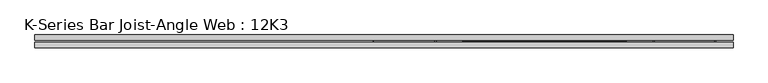
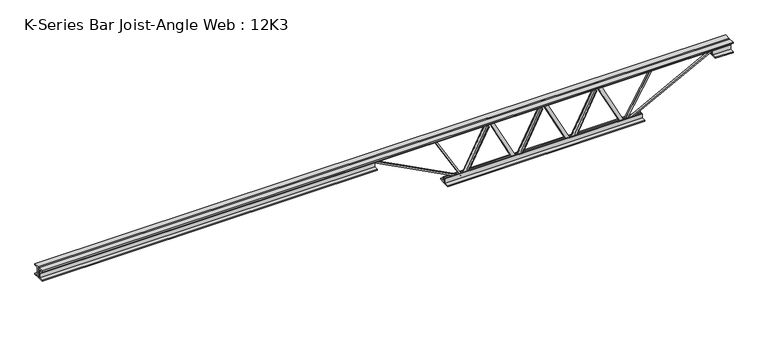
"""IFC4 building model written with IfcOpenShell, lengths in millimetres: beam geometry, K-Series Bar Joist-Angle Web : 12K3."""

from ifc_helpers import new_model, si_unit, frame, origin, place, context, project, spatial, polyline, outline, extrude, faceted_brep, source, transform, mapped, element, save


def k_series_bar_joist_angle_web_12k3_1664fd6e(model_context):
    return source(origin(), model_context, "Body", "SolidModel", [
        extrude(outline(polyline([(-4.7625, 4.7625), (-4.7625, 0.0), (-17.4625, 0.0), (-17.4625, 4.7625), (-4.7625, 4.7625)])), frame((125.0653867, 0.0, -114.3), z_axis=(-0.45395106110394673, 0.0, 0.8910266180774853), x_axis=(0.0, -1.0, 0.0)), (0.0, 0.0, 1.0), 256.5579921),
        extrude(outline(polyline([(-149.225, 155.0458333), (-130.175, 155.0458333), (-130.175, 154.5330508), (149.225, 12.1872175), (149.225, -6.35), (130.175, -6.35), (130.175, 0.5127825), (-149.225, 142.8586159), (-149.225, 155.0458333)])), frame((0.0, 0.0, 0.0), z_axis=(0.0, 1.0, 0.0), x_axis=(0.0, 0.0, 1.0)), (0.0, 0.0, 1.0), 4.7625),
        faceted_brep([(-155.0458333, 0.0, -130.175), (-155.0458333, 0.0, -149.225), (-155.0458333, -4.7625, -149.225), (-155.0458333, -4.7625, -130.175), (-154.5330508, 0.0, -130.175), (-12.1872175, 0.0, 149.225), (6.35, 0.0, 149.225), (6.35, 0.0, 130.175), (-0.5127825, 0.0, 130.175), (-142.8586159, 0.0, -149.225), (-142.8586159, -4.7625, -149.225), (-125.0653867, -4.7625, -114.3), (-129.308901, -4.7625, -112.1380581), (-12.8441282, -4.7625, 116.4619419), (-8.600614, -4.7625, 114.3), (-0.5127825, -4.7625, 130.175), (6.35, -4.7625, 130.175), (6.35, -4.7625, 149.225), (-12.1872175, -4.7625, 149.225), (-154.5330508, -4.7625, -130.175), (-8.600614, -17.4625, 114.3), (-125.0653867, -17.4625, -114.3), (-129.308901, -17.4625, -112.1380581), (-12.8441282, -17.4625, 116.4619419)], [[[0, 1, 2, 3]], [[1, 0, 4, 5, 6, 7, 8, 9]], [[2, 1, 9, 10]], [[3, 2, 10, 11, 12, 13, 14, 15, 16, 17, 18, 19]], [[0, 3, 19, 4]], [[9, 8, 15, 14, 20, 21, 11, 10]], [[5, 4, 19, 18]], [[7, 6, 17, 16]], [[8, 7, 16, 15]], [[6, 5, 18, 17]], [[21, 22, 12, 11]], [[20, 14, 13, 23]], [[22, 21, 20, 23]], [[12, 22, 23, 13]]]),
        extrude(outline(polyline([(-4.7625, 4.7624999), (-4.7625, 0.0), (-17.4625, 0.0), (-17.4625, 4.7624999), (-4.7625, 4.7624999)])), frame((435.9508034, 0.0, -114.3), z_axis=(-0.45395106110394673, 0.0, 0.8910266180774853), x_axis=(0.0, -1.0, 0.0)), (0.0, 0.0, 1.0), 256.5579921),
        extrude(outline(polyline([(-149.225, 465.93125), (-130.175, 465.93125), (-130.175, 465.4184675), (149.225, 323.0726341), (149.225, 304.5354167), (130.175, 304.5354167), (130.175, 311.3981992), (-149.225, 453.7440325), (-149.225, 465.93125)])), frame((0.0, 0.0, 0.0), z_axis=(0.0, 1.0, 0.0), x_axis=(0.0, 0.0, 1.0)), (0.0, 0.0, 1.0), 4.7625),
        faceted_brep([(155.8395833, 0.0, -130.175), (155.8395833, 0.0, -149.225), (155.8395833, -4.7625, -149.225), (155.8395833, -4.7625, -130.175), (156.3523659, 0.0, -130.175), (298.6981992, 0.0, 149.225), (317.2354167, 0.0, 149.225), (317.2354167, 0.0, 130.175), (310.3726341, 0.0, 130.175), (168.0268008, 0.0, -149.225), (168.0268008, -4.7625, -149.225), (185.82003, -4.7625, -114.3), (181.5765157, -4.7625, -112.1380581), (298.0412884, -4.7625, 116.4619419), (302.2848027, -4.7625, 114.3), (310.3726341, -4.7625, 130.175), (317.2354167, -4.7625, 130.175), (317.2354167, -4.7625, 149.225), (298.6981992, -4.7625, 149.225), (156.3523659, -4.7625, -130.175), (302.2848027, -17.4625, 114.3), (185.82003, -17.4625, -114.3), (181.5765157, -17.4625, -112.1380581), (298.0412884, -17.4625, 116.4619419)], [[[0, 1, 2, 3]], [[1, 0, 4, 5, 6, 7, 8, 9]], [[2, 1, 9, 10]], [[3, 2, 10, 11, 12, 13, 14, 15, 16, 17, 18, 19]], [[0, 3, 19, 4]], [[9, 8, 15, 14, 20, 21, 11, 10]], [[5, 4, 19, 18]], [[7, 6, 17, 16]], [[8, 7, 16, 15]], [[6, 5, 18, 17]], [[21, 22, 12, 11]], [[20, 14, 13, 23]], [[22, 21, 20, 23]], [[12, 22, 23, 13]]]),
        extrude(outline(polyline([(-4.7625, 4.7625), (-4.7625, 0.0), (-17.4625, 0.0), (-17.4625, 4.7625), (-4.7625, 4.7625)])), frame((-185.82003, 0.0, -114.3), z_axis=(-0.45395106110394673, 0.0, 0.8910266180774853), x_axis=(0.0, -1.0, 0.0)), (0.0, 0.0, 1.0), 256.5579921),
        extrude(outline(polyline([(-149.225, -155.8395833), (-130.175, -155.8395833), (-130.175, -156.3523659), (149.225, -298.6981992), (149.225, -317.2354167), (130.175, -317.2354167), (130.175, -310.3726341), (-149.225, -168.0268008), (-149.225, -155.8395833)])), frame((0.0, 0.0, 0.0), z_axis=(0.0, 1.0, 0.0), x_axis=(0.0, 0.0, 1.0)), (0.0, 0.0, 1.0), 4.7625),
        faceted_brep([(-465.93125, 0.0, -130.175), (-465.93125, 0.0, -149.225), (-465.93125, -4.7625, -149.225), (-465.93125, -4.7625, -130.175), (-465.4184675, 0.0, -130.175), (-323.0726341, 0.0, 149.225), (-304.5354167, 0.0, 149.225), (-304.5354167, 0.0, 130.175), (-311.3981992, 0.0, 130.175), (-453.7440325, 0.0, -149.225), (-453.7440325, -4.7625, -149.225), (-435.9508034, -4.7625, -114.3), (-440.1943176, -4.7625, -112.1380581), (-323.7295449, -4.7625, 116.4619419), (-319.4860306, -4.7625, 114.3), (-311.3981992, -4.7625, 130.175), (-304.5354167, -4.7625, 130.175), (-304.5354167, -4.7625, 149.225), (-323.0726341, -4.7625, 149.225), (-465.4184675, -4.7625, -130.175), (-319.4860306, -17.4625, 114.3), (-435.9508034, -17.4625, -114.3), (-440.1943176, -17.4625, -112.1380581), (-323.7295449, -17.4625, 116.4619419)], [[[0, 1, 2, 3]], [[1, 0, 4, 5, 6, 7, 8, 9]], [[2, 1, 9, 10]], [[3, 2, 10, 11, 12, 13, 14, 15, 16, 17, 18, 19]], [[0, 3, 19, 4]], [[9, 8, 15, 14, 20, 21, 11, 10]], [[5, 4, 19, 18]], [[7, 6, 17, 16]], [[8, 7, 16, 15]], [[6, 5, 18, 17]], [[21, 22, 12, 11]], [[20, 14, 13, 23]], [[22, 21, 20, 23]], [[12, 22, 23, 13]]]),
        extrude(outline(polyline([(4.7625, 152.4), (36.5125, 152.4), (36.5125, 146.05), (11.1125, 146.05), (11.1125, 120.65), (4.7625, 120.65), (4.7625, 152.4)])), frame((-2904.33125, 0.0, 0.0), z_axis=(1.0, 0.0, 0.0), x_axis=(0.0, 1.0, 0.0)), (0.0, 0.0, 1.0), 3979.8625),
        extrude(outline(polyline([(-4.7625, 152.4), (-4.7625, 120.65), (-11.1125, 120.65), (-11.1125, 146.05), (-36.5125, 146.05), (-36.5125, 152.4), (-4.7625, 152.4)])), frame((-2904.33125, 0.0, 0.0), z_axis=(1.0, 0.0, 0.0), x_axis=(0.0, 1.0, 0.0)), (0.0, 0.0, 1.0), 3979.8625),
        extrude(outline(polyline([(-4.7625, 88.9), (-36.5125, 88.9), (-36.5125, 95.25), (-11.1125, 95.25), (-11.1125, 120.65), (-4.7625, 120.65), (-4.7625, 88.9)])), frame((-2904.33125, 0.0, 0.0), z_axis=(1.0, 0.0, 0.0), x_axis=(0.0, 1.0, 0.0)), (0.0, 0.0, 1.0), 1930.4),
        extrude(outline(polyline([(36.5125, 88.9), (4.7625, 88.9), (4.7625, 120.65), (11.1125, 120.65), (11.1125, 95.25), (36.5125, 95.25), (36.5125, 88.9)])), frame((-2904.33125, 0.0, 0.0), z_axis=(1.0, 0.0, 0.0), x_axis=(0.0, 1.0, 0.0)), (0.0, 0.0, 1.0), 1930.4),
        extrude(outline(polyline([(4.7625, 88.9), (4.7625, 120.65), (11.1125, 120.65), (11.1125, 95.25), (36.5125, 95.25), (36.5125, 88.9), (4.7625, 88.9)])), frame((973.93125, 0.0, 0.0), z_axis=(1.0, 0.0, 0.0), x_axis=(0.0, 1.0, 0.0)), (0.0, 0.0, 1.0), 101.6),
        extrude(outline(polyline([(-4.7625, 88.9), (-36.5125, 88.9), (-36.5125, 95.25), (-11.1125, 95.25), (-11.1125, 120.65), (-4.7625, 120.65), (-4.7625, 88.9)])), frame((973.93125, 0.0, 0.0), z_axis=(1.0, 0.0, 0.0), x_axis=(0.0, 1.0, 0.0)), (0.0, 0.0, 1.0), 101.6),
        extrude(outline(polyline([(4.7625, -152.4), (4.7625, -120.65), (11.1125, -120.65), (11.1125, -146.05), (36.5125, -146.05), (36.5125, -152.4), (4.7625, -152.4)])), frame((-567.53125, 0.0, 0.0), z_axis=(1.0, 0.0, 0.0), x_axis=(0.0, 1.0, 0.0)), (0.0, 0.0, 1.0), 1135.0625),
        extrude(outline(polyline([(-4.7625, -152.4), (-36.5125, -152.4), (-36.5125, -146.05), (-11.1125, -146.05), (-11.1125, -120.65), (-4.7625, -120.65), (-4.7625, -152.4)])), frame((-567.53125, 0.0, 0.0), z_axis=(1.0, 0.0, 0.0), x_axis=(0.0, 1.0, 0.0)), (0.0, 0.0, 1.0), 1135.0625),
        extrude(outline(polyline([(4.7625, 4.7625), (4.7625, -4.7625), (-4.7625, -4.7625), (-4.7625, 4.7625), (4.7625, 4.7625)])), frame((465.93125, 0.0, -146.05), z_axis=(0.5025906433994863, 0.0, 0.8645245197027616), x_axis=(0.0, -1.0, 0.0)), (0.0, 0.0, 1.0), 308.4932745),
        extrude(outline(polyline([(4.7625, 4.7625), (4.7625, -4.7625), (-4.7625, -4.7625), (-4.7625, 4.7625), (4.7625, 4.7625)])), frame((-465.93125, 0.0, -146.05), z_axis=(-0.5025906433994415, 0.0, 0.8645245197027877), x_axis=(0.0, -1.0, 0.0)), (0.0, 0.0, 1.0), 308.4932745),
        extrude(outline(polyline([(0.0, -9.525), (0.0, 0.0), (573.7533355, 0.0), (573.7533355, -9.525), (0.0, -9.525)])), frame((976.1450214, -4.7625, 116.4332925), z_axis=(-0.46483389898932465, 0.0, 0.8853979028382563), x_axis=(-0.8853979028382563, 0.0, -0.46483389898932465)), (0.0, 0.0, 1.0), 9.525),
        extrude(outline(polyline([(0.0, -9.525), (0.0, 0.0), (573.7533355, 0.0), (573.7533355, -9.525), (0.0, -9.525)])), frame((-976.1450214, 4.7625, 116.4332925), z_axis=(0.4648338989893202, 0.0, 0.8853979028382587), x_axis=(0.8853979028382587, 0.0, -0.4648338989893202)), (0.0, 0.0, 1.0), 9.525),
    ])


if __name__ == "__main__":
    model = new_model("IFC4")
    model_context = context("Model", 3, world=origin())
    ifc_project = project(units=[si_unit("LENGTHUNIT", "METRE", prefix="MILLI")], contexts=[model_context])
    site = spatial("IfcSite", under=ifc_project)
    building = spatial("IfcBuilding", under=site)
    placement = place(None, origin())
    k_series_bar_joist_angle_web_12k3_shape = k_series_bar_joist_angle_web_12k3_1664fd6e(model_context)
    element("IfcBeam", 1, ObjectType="K-Series Bar Joist-Angle Web : 12K3", at=placement, inside=building, context=model_context, shape_type="MappedRepresentation", body=[
        mapped(k_series_bar_joist_angle_web_12k3_shape, transform((0.0, 0.0, 0.0), x_axis=(1.0, 0.0, 0.0), y_axis=(0.0, 1.0, 0.0), z_axis=(0.0, 0.0, 1.0))),
    ])
    save(model, "model.ifc")
